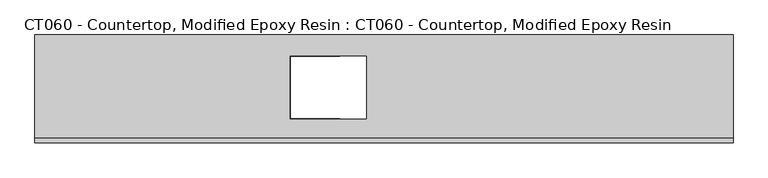
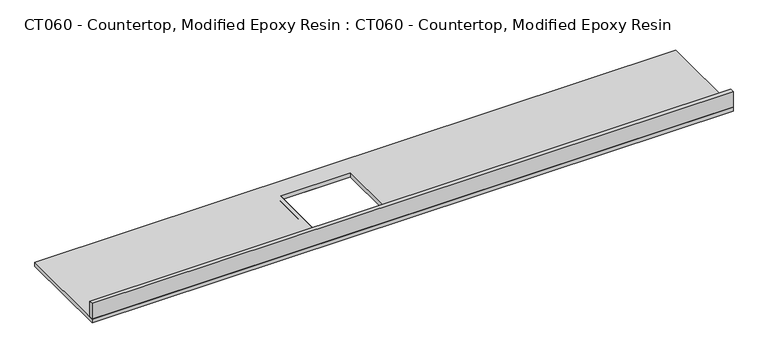
"""IFC4 building model written with IfcOpenShell, lengths in millimetres: proxy geometry, CT060 - Countertop, Modified Epoxy Resin : CT060 - Countertop, Modified Epoxy Resin."""

from ifc_helpers import new_model, si_unit, frame, origin, place, context, project, spatial, polyline, outline, extrude, source, transform, mapped, element, save


def ct060_countertop_modified_epoxy_resin_ct060_countertop_a0e61bff(model_context):
    return source(origin(), model_context, "Body", "SweptSolid", [
        extrude(outline(polyline([(2379.5511797, -304.8), (-1572.3389097, -304.8), (-1572.3389097, 304.8), (2379.5511797, 304.8), (2379.5511797, -304.8)]), holes=[polyline([(302.597899, -170.7870702), (302.597899, 183.7016057), (-127.1772212, 183.7016057), (-127.1772212, -170.7870702), (302.597899, -170.7870702)])]), frame((0.0, 0.0, 838.2), z_axis=(0.0, 0.0, 1.0), x_axis=(1.0, 0.0, 0.0)), (0.0, 0.0, 1.0), 25.4),
        extrude(outline(polyline([(-152.4, -304.8), (-152.4, 0.0), (-152.4, 304.8), (152.4, 304.8), (152.4, 183.7016057), (-127.1772212, 183.7016057), (-127.1772212, -170.7870702), (152.4, -170.7870702), (152.4, -304.8), (-152.4, -304.8)])), frame((0.0, 0.0, 838.2), z_axis=(0.0, 0.0, 1.0), x_axis=(1.0, 0.0, 0.0)), (0.0, 0.0, 1.0), 25.4),
        extrude(outline(polyline([(-1572.3389097, -279.4), (2379.5511797, -279.4), (2379.5511797, -304.8), (-1572.3389097, -304.8), (-1572.3389097, -279.4)])), frame((0.0, 0.0, 863.6), z_axis=(0.0, 0.0, 1.0), x_axis=(1.0, 0.0, 0.0)), (0.0, 0.0, 1.0), 101.6),
    ])


if __name__ == "__main__":
    model = new_model("IFC4")
    model_context = context("Model", 3, world=origin())
    ifc_project = project(units=[si_unit("LENGTHUNIT", "METRE", prefix="MILLI")], contexts=[model_context])
    site = spatial("IfcSite", under=ifc_project)
    building = spatial("IfcBuilding", under=site)
    placement = place(None, origin())
    ct060_countertop_modified_epoxy_resin_ct060_countertop_shape = ct060_countertop_modified_epoxy_resin_ct060_countertop_a0e61bff(model_context)
    element("IfcBuildingElementProxy", 1, Name="CT060 - Countertop, Modified Epoxy Resin : CT060 - Countertop, Modified Epoxy Resin", ObjectType="CT060 - Countertop, Modified Epoxy Resin : CT060 - Countertop, Modified Epoxy Resin", at=placement, inside=building, context=model_context, shape_type="MappedRepresentation", body=[
        mapped(ct060_countertop_modified_epoxy_resin_ct060_countertop_shape, transform((0.0, 0.0, 0.0), x_axis=(1.0, 0.0, 0.0), y_axis=(0.0, 1.0, 0.0), z_axis=(0.0, 0.0, 1.0))),
    ])
    save(model, "model.ifc")
